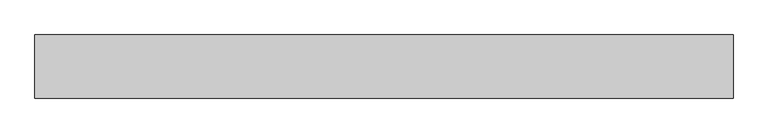
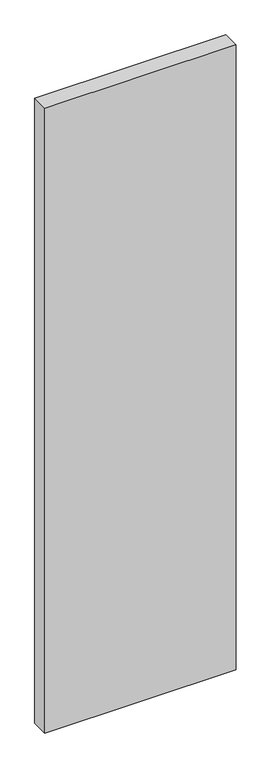
"""IFC4 building model written with IfcOpenShell, lengths in millimetres: proxy geometry."""

from ifc_helpers import new_model, si_unit, frame, origin, place, context, project, spatial, polyline, outline, extrude, source, transform, mapped, element, save


def generic_models_c5acf1bd(model_context):
    return source(origin(), model_context, "Body", "SweptSolid", [
        extrude(outline(polyline([(1100.0, 100.0), (1100.0, 0.0), (0.0, 0.0), (0.0, 100.0), (1100.0, 100.0)])), frame((0.0, 0.0, -3800.0), z_axis=(0.0, 0.0, 1.0), x_axis=(1.0, 0.0, 0.0)), (0.0, 0.0, 1.0), 3800.0),
    ])


if __name__ == "__main__":
    model = new_model("IFC4")
    model_context = context("Model", 3, world=origin())
    ifc_project = project(units=[si_unit("LENGTHUNIT", "METRE", prefix="MILLI")], contexts=[model_context])
    site = spatial("IfcSite", under=ifc_project)
    building = spatial("IfcBuilding", under=site)
    placement = place(None, origin())
    generic_models_shape = generic_models_c5acf1bd(model_context)
    element("IfcBuildingElementProxy", 1, Name="Generic Models", at=placement, inside=building, context=model_context, shape_type="MappedRepresentation", body=[
        mapped(generic_models_shape, transform((0.0, 0.0, 0.0), x_axis=(1.0, 0.0, 0.0), y_axis=(0.0, 1.0, 0.0), z_axis=(0.0, 0.0, 1.0))),
    ])
    save(model, "model.ifc")
